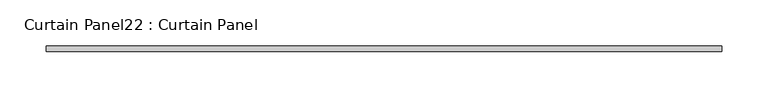
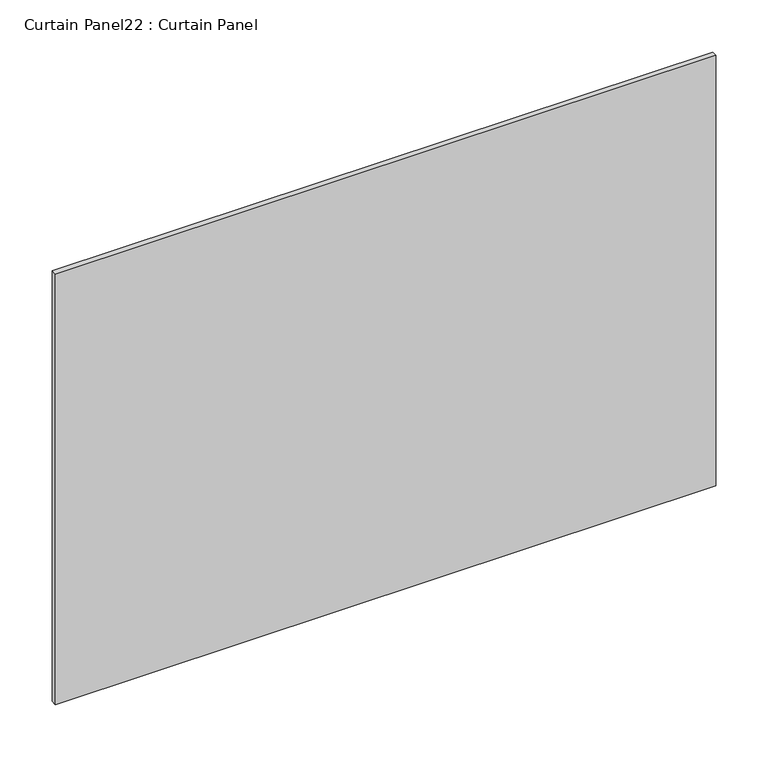
"""IFC4 building model written with IfcOpenShell, lengths in millimetres: plate geometry, Curtain Panel22 : Curtain Panel."""

from ifc_helpers import new_model, si_unit, frame, origin, place, context, project, spatial, polyline, outline, extrude, source, transform, mapped, element, save


def curtain_panel22_curtain_panel_3d1736cf(model_context):
    return source(origin(), model_context, "Body", "SweptSolid", [
        extrude(outline(polyline([(3227.8627701, 3568.3617926), (2495.4959131, 3568.3617926), (2495.4959131, 3574.7117926), (3227.8627701, 3574.7117926), (3227.8627701, 3568.3617926)])), frame((0.0, 0.0, 2020.998625), z_axis=(0.0, 0.0, 1.0), x_axis=(1.0, 0.0, 0.0)), (0.0, 0.0, 1.0), 504.60275),
    ])


if __name__ == "__main__":
    model = new_model("IFC4")
    model_context = context("Model", 3, world=origin())
    ifc_project = project(units=[si_unit("LENGTHUNIT", "METRE", prefix="MILLI")], contexts=[model_context])
    site = spatial("IfcSite", under=ifc_project)
    building = spatial("IfcBuilding", under=site)
    placement = place(None, origin())
    curtain_panel22_curtain_panel_shape = curtain_panel22_curtain_panel_3d1736cf(model_context)
    element("IfcPlate", 1, ObjectType="Curtain Panel22 : Curtain Panel", at=placement, inside=building, context=model_context, shape_type="MappedRepresentation", body=[
        mapped(curtain_panel22_curtain_panel_shape, transform((0.0, 0.0, 0.0), x_axis=(1.0, 0.0, 0.0), y_axis=(0.0, 1.0, 0.0), z_axis=(0.0, 0.0, 1.0))),
    ])
    save(model, "model.ifc")
